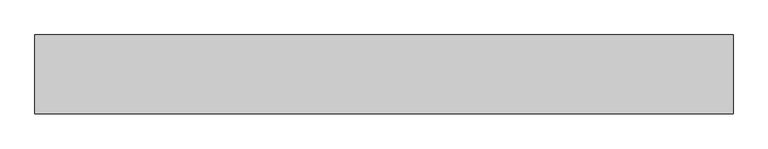
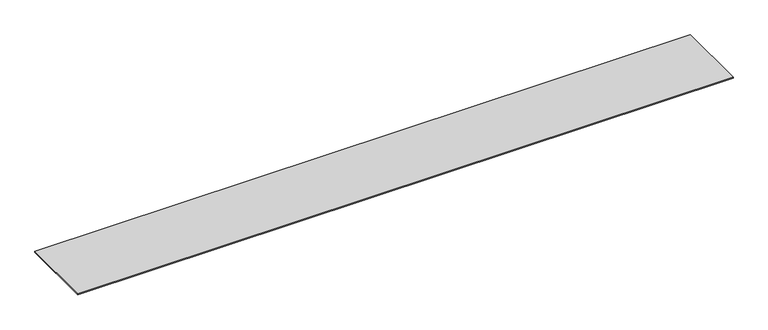
"""IFC4 building model written with IfcOpenShell, lengths in millimetres: proxy geometry."""

from ifc_helpers import new_model, si_unit, origin, origin_with_axes, place, context, project, spatial, polyline, outline, extrude, source, transform, mapped, element, save


def generic_models_cd0beca2(model_context):
    return source(origin(), model_context, "Body", "SweptSolid", [
        extrude(outline(polyline([(12333.3333333, 0.0), (12333.3333333, -1397.0), (0.0, -1397.0), (0.0, 0.0), (12333.3333333, 0.0)])), origin_with_axes(), (0.0, 0.0, 1.0), 15.0),
    ])


if __name__ == "__main__":
    model = new_model("IFC4")
    model_context = context("Model", 3, world=origin())
    ifc_project = project(units=[si_unit("LENGTHUNIT", "METRE", prefix="MILLI")], contexts=[model_context])
    site = spatial("IfcSite", under=ifc_project)
    building = spatial("IfcBuilding", under=site)
    placement = place(None, origin())
    generic_models_shape = generic_models_cd0beca2(model_context)
    element("IfcBuildingElementProxy", 1, Name="Generic Models", at=placement, inside=building, context=model_context, shape_type="MappedRepresentation", body=[
        mapped(generic_models_shape, transform((0.0, 0.0, 0.0), x_axis=(1.0, 0.0, 0.0), y_axis=(0.0, 1.0, 0.0), z_axis=(0.0, 0.0, 1.0))),
    ])
    save(model, "model.ifc")
